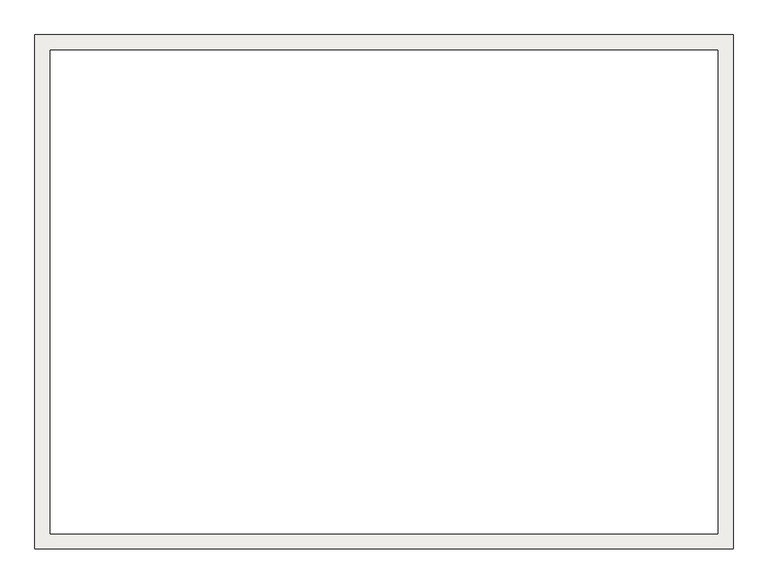
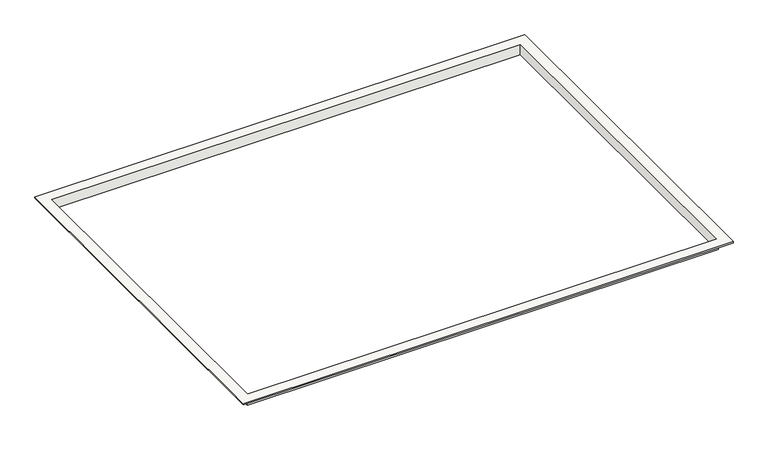
"""IFC4 building model written with IfcOpenShell, lengths in millimetres: covering geometry."""

import ifcopenshell
import ifcopenshell.guid

model = None  # the IFC model being written
_history = None  # IfcOwnerHistory: only IFC2X3 demands one
_inside = {}  # id of a spatial element -> (the spatial element, [elements in it])
_under = {}  # id of a project, library or spatial element -> (it, [spatial elements below it])
_declared = {}  # id of a project -> (the project, [libraries it declares])
_typed = {}  # id of a type object -> (the type object, [elements of that type])
_made_of = {}  # id of a material, layer set ... -> (it, [elements and type objects made of it])


def new_model(schema):
    """Start an empty IFC model of exactly this schema.

    Asked for "IFC4X3", IfcOpenShell would pick the latest addendum, in which some entities
    have other attributes; the version numbers below select the first issue.
    IFC2X3 requires an IfcOwnerHistory on every rooted entity: one is made here for all.
    """
    global model, _history
    if schema == "IFC4X3":
        model = ifcopenshell.file(schema_version=(4, 3, 0, 0))
    else:
        model = ifcopenshell.file(schema=schema)
    _inside.clear()
    _under.clear()
    _declared.clear()
    _typed.clear()
    _made_of.clear()
    _history = None
    if model.schema == "IFC2X3":
        org = make("IfcOrganization", Name="unknown")
        user = make(
            "IfcPersonAndOrganization",
            ThePerson=make("IfcPerson", FamilyName="unknown"),
            TheOrganization=org,
        )
        app = make(
            "IfcApplication",
            ApplicationDeveloper=org,
            Version="unknown",
            ApplicationFullName="unknown",
            ApplicationIdentifier="unknown",
        )
        _history = make(
            "IfcOwnerHistory",
            OwningUser=user,
            OwningApplication=app,
            ChangeAction="ADDED",
            CreationDate=0,
        )
    return model


def make(cls, **values):
    """One entity of the class cls with the attributes given. An attribute that is None is left unset."""
    return model.create_entity(
        cls, **{name: value for name, value in values.items() if value is not None}
    )


def rooted(cls, **values):
    """An entity with a GlobalId (a new one), such as an element, a storey or a relation."""
    return make(cls, GlobalId=ifcopenshell.guid.new(), OwnerHistory=_history, **values)


def si_unit(unit_type, name, prefix=None):
    """IfcSIUnit, for example si_unit("LENGTHUNIT", "METRE", prefix="MILLI")."""
    return make("IfcSIUnit", UnitType=unit_type, Prefix=prefix, Name=name)


def assignment(units):
    """IfcUnitAssignment: the units of a project."""
    return None if units is None else make("IfcUnitAssignment", Units=units)


def point(xyz):
    """IfcCartesianPoint."""
    return None if xyz is None else make("IfcCartesianPoint", Coordinates=xyz)


def direction(xyz):
    """IfcDirection."""
    return None if xyz is None else make("IfcDirection", DirectionRatios=xyz)


def frame(location, z_axis=None, x_axis=None):
    """IfcAxis2Placement3D, a coordinate frame: its origin and axes. An axis left out is left unset."""
    return make(
        "IfcAxis2Placement3D",
        Location=point(location),
        Axis=direction(z_axis),
        RefDirection=direction(x_axis),
    )


def origin():
    """The frame at (0, 0, 0) with its axes left unset."""
    return frame((0.0, 0.0, 0.0))


def place(relative_to, where):
    """IfcLocalPlacement: puts the frame where relative to a parent placement (None: the world)."""
    return make(
        "IfcLocalPlacement", PlacementRelTo=relative_to, RelativePlacement=where
    )


def context(
    kind, dimensions, precision=None, world=None, true_north=None, identifier=None
):
    """IfcGeometricRepresentationContext, for example the 3D "Model" context."""
    return make(
        "IfcGeometricRepresentationContext",
        ContextIdentifier=identifier,
        ContextType=kind,
        CoordinateSpaceDimension=dimensions,
        Precision=precision,
        WorldCoordinateSystem=world,
        TrueNorth=true_north,
    )


def project(units=None, contexts=None):
    """IfcProject with its units and contexts."""
    return rooted(
        "IfcProject",
        Name="project",
        RepresentationContexts=contexts,
        UnitsInContext=assignment(units),
    )


def spatial(cls, under=None, at=None, **own):
    """A site, building, storey or space (cls), placed at a placement, below another one or the project."""
    s = rooted(cls, ObjectPlacement=at, **own)
    if under is not None:
        _under.setdefault(under.id(), (under, []))[1].append(s)
    return s


def faces_of(points, faces, orient=None, outer=None):
    """IfcFace entities. A face is a list of loops; a loop is a list of indices into points, from 0.

    orient and outer hold one flag for each loop. By default every Orientation is true, the
    first loop of a face is its IfcFaceOuterBound and the others are IfcFaceBound.
    """
    made = []
    for i, loops in enumerate(faces):
        bounds = []
        for j, loop in enumerate(loops):
            is_outer = j == 0 if outer is None else outer[i][j]
            bounds.append(
                make(
                    "IfcFaceOuterBound" if is_outer else "IfcFaceBound",
                    Bound=make("IfcPolyLoop", Polygon=[points[k] for k in loop]),
                    Orientation=True if orient is None else orient[i][j],
                )
            )
        made.append(make("IfcFace", Bounds=bounds))
    return made


def faceted_brep(points, faces, orient=None, outer=None, voids=None):
    """IfcFacetedBrep: a solid bounded by flat faces; with voids (closed shells), ...WithVoids."""
    shared = [point(p) for p in points]
    hull = make("IfcClosedShell", CfsFaces=faces_of(shared, faces, orient, outer))
    if voids is None:
        return make("IfcFacetedBrep", Outer=hull)
    return make(
        "IfcFacetedBrepWithVoids",
        Outer=hull,
        Voids=[
            make(cls, CfsFaces=faces_of(shared, fs, o, b)) for cls, fs, o, b in voids
        ],
    )


def shape(context_of_items, identifier, shape_type, items):
    """IfcShapeRepresentation: the items that make up one representation, for example the "Body"."""
    return make(
        "IfcShapeRepresentation",
        ContextOfItems=context_of_items,
        RepresentationIdentifier=identifier,
        RepresentationType=shape_type,
        Items=items,
    )


def source(mapping_origin, context_of_items, identifier, shape_type, items):
    """IfcRepresentationMap: a shape defined once, which mapped items show again and again."""
    return make(
        "IfcRepresentationMap",
        MappingOrigin=mapping_origin,
        MappedRepresentation=shape(context_of_items, identifier, shape_type, items),
    )


def transform(
    local_origin,
    x_axis=None,
    y_axis=None,
    z_axis=None,
    scale=None,
    scale2=None,
    scale3=None,
    uniform=True,
):
    """IfcCartesianTransformationOperator3D, or its non-uniform kind. x_axis, y_axis, z_axis: its Axis1, 2, 3."""
    if uniform:
        return make(
            "IfcCartesianTransformationOperator3D",
            Axis1=direction(x_axis),
            Axis2=direction(y_axis),
            LocalOrigin=point(local_origin),
            Scale=scale,
            Axis3=direction(z_axis),
        )
    return make(
        "IfcCartesianTransformationOperator3DnonUniform",
        Axis1=direction(x_axis),
        Axis2=direction(y_axis),
        LocalOrigin=point(local_origin),
        Scale=scale,
        Axis3=direction(z_axis),
        Scale2=scale2,
        Scale3=scale3,
    )


def mapped(mapping_source, mapping_target):
    """IfcMappedItem: shows the shape of a source again, moved by a transform."""
    return make(
        "IfcMappedItem", MappingSource=mapping_source, MappingTarget=mapping_target
    )


def made_of(thing, what):
    """Note that an element or type object is made of a material, layer set ...; save() writes the relation."""
    if what is not None:
        _made_of.setdefault(what.id(), (what, []))[1].append(thing)
    return thing


def element(
    cls,
    number,
    at=None,
    inside=None,
    cuts=None,
    type_object=None,
    material=None,
    context=None,
    identifier="Body",
    shape_type=None,
    held_by="IfcProductDefinitionShape",
    body=None,
    shapes=None,
    **own,
):
    """One element of the class cls, such as IfcWall. Its Tag is "e" and its number.

    at: its placement. inside: the storey or other place that contains it. cuts: it is an
    opening in that element (IfcRelVoidsElement). A single representation is given by context,
    identifier, shape_type and body (its items); several are given by shapes. held_by: the class
    of the entity that holds the representations. save() writes the other relations.
    """
    e = rooted(cls, Tag="e%d" % number, ObjectPlacement=at, **own)
    if body is not None:
        shapes = [shape(context, identifier, shape_type, body)]
    if shapes is not None:
        e.Representation = make(held_by, Representations=shapes)
    if inside is not None:
        _inside.setdefault(inside.id(), (inside, []))[1].append(e)
    if cuts is not None:
        rooted(
            "IfcRelVoidsElement", RelatingBuildingElement=cuts, RelatedOpeningElement=e
        )
    if type_object is not None:
        _typed.setdefault(type_object.id(), (type_object, []))[1].append(e)
    return made_of(e, material)


def aggregate(whole, parts):
    """IfcRelAggregates: a whole, such as a stair, and the parts it consists of."""
    return rooted("IfcRelAggregates", RelatingObject=whole, RelatedObjects=parts)


def save(model, path):
    """Write the relations noted so far, then the file.

    IfcRelAggregates (storeys below a building ...), IfcRelContainedInSpatialStructure (elements
    in a storey), IfcRelDefinesByType, IfcRelAssociatesMaterial and IfcRelDeclares: one each for
    every whole, place, type object, material and project.
    """
    for whole, parts in _under.values():
        aggregate(whole, parts)
    for where, things in _inside.values():
        rooted(
            "IfcRelContainedInSpatialStructure",
            RelatedElements=things,
            RelatingStructure=where,
        )
    for kind, things in _typed.values():
        rooted("IfcRelDefinesByType", RelatedObjects=things, RelatingType=kind)
    for what, things in _made_of.values():
        rooted("IfcRelAssociatesMaterial", RelatedObjects=things, RelatingMaterial=what)
    for by, libraries in _declared.values():
        rooted("IfcRelDeclares", RelatingContext=by, RelatedDefinitions=libraries)
    model.write(path)


def covering_d095cf9a(model_context):
    return source(origin(), model_context, "Body", "Brep", [
        faceted_brep([(545.0, 395.0, 3.0), (545.0, 395.0, -22.0), (545.0, -395.0, -22.0), (545.0, -395.0, 3.0), (570.0, 420.0, 0.0), (570.0, 420.0, 3.0), (570.0, -420.0, 3.0), (570.0, -420.0, 0.0), (-545.0, -395.0, -22.0), (-545.0, -395.0, 3.0), (-570.0, -420.0, 3.0), (-570.0, -420.0, 0.0), (-545.0, 395.0, -22.0), (-545.0, 395.0, 3.0), (-570.0, 420.0, 3.0), (-570.0, 420.0, 0.0), (548.0, -398.0, -22.0), (-548.0, -398.0, -22.0), (-548.0, 398.0, -22.0), (548.0, 398.0, -22.0), (548.0, 398.0, 0.0), (548.0, -398.0, 0.0), (-548.0, -398.0, 0.0), (-548.0, 398.0, 0.0)], [[[0, 1, 2, 3]], [[4, 5, 6, 7]], [[3, 2, 8, 9]], [[7, 6, 10, 11]], [[9, 8, 12, 13]], [[11, 10, 14, 15]], [[16, 17, 18, 19], [1, 12, 8, 2]], [[13, 12, 1, 0]], [[5, 14, 10, 6], [3, 9, 13, 0]], [[15, 14, 5, 4]], [[19, 20, 21, 16]], [[16, 21, 22, 17]], [[17, 22, 23, 18]], [[7, 11, 15, 4], [20, 23, 22, 21]], [[18, 23, 20, 19]]]),
    ])


if __name__ == "__main__":
    model = new_model("IFC4")
    model_context = context("Model", 3, world=origin())
    ifc_project = project(units=[si_unit("LENGTHUNIT", "METRE", prefix="MILLI")], contexts=[model_context])
    site = spatial("IfcSite", under=ifc_project)
    building = spatial("IfcBuilding", under=site)
    placement = place(None, origin())
    covering_shape = covering_d095cf9a(model_context)
    element("IfcCovering", 1, at=placement, inside=building, context=model_context, shape_type="MappedRepresentation", body=[
        mapped(covering_shape, transform((0.0, 0.0, 0.0), x_axis=(1.0, 0.0, 0.0), y_axis=(0.0, 1.0, 0.0), z_axis=(0.0, 0.0, 1.0))),
    ])
    save(model, "model.ifc")
